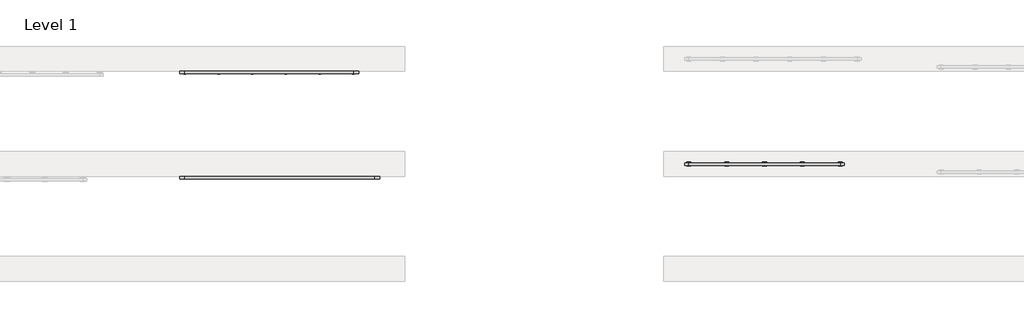
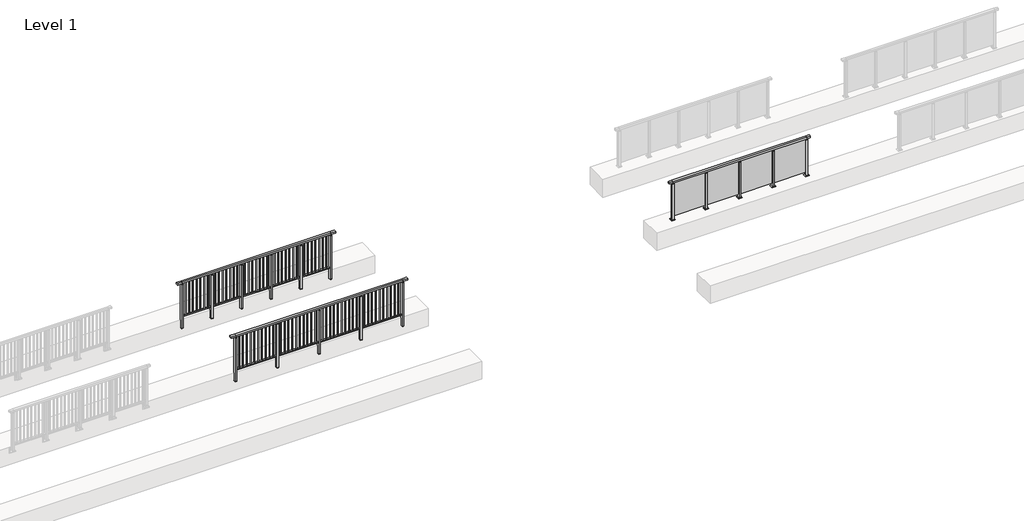
# One storey, part 17 of 37: 3 railings.
"""IFC4 building model written with IfcOpenShell, lengths in millimetres."""

from ifc_helpers import new_model, si_unit, frame, origin, origin_with_axes, place, context, project, spatial, polyline, outline, extrude, faceted_brep, element, save

model = new_model("IFC4")

# Units and contexts
model_context = context("Model", 3, world=origin())
ifc_project = project(units=[si_unit("LENGTHUNIT", "METRE", prefix="MILLI")], contexts=[model_context])

# Site, building, storey
site = spatial("IfcSite", under=ifc_project)
building = spatial("IfcBuilding", under=site)
storey = spatial("IfcBuildingStorey", under=building, Name="Level 1", Elevation=0.0)

# Railings
placement = place(None, origin())
element("IfcRailing", 1, at=placement, inside=storey, context=model_context, shape_type="SolidModel", body=[
    faceted_brep([(18027.0, 19897.6846828, 1055.0), (18027.0, 19897.6846828, 1100.0), (22527.0, 19897.6846828, 1100.0), (22527.0, 19897.6846828, 1055.0), (18027.0, 19837.6846828, 1055.0), (22527.0, 19837.6846828, 1055.0), (18027.0, 19837.6846828, 1100.0), (22527.0, 19837.6846828, 1100.0), (17899.5, 19897.6846828, 1100.0), (17899.5, 19897.6846828, 1055.0), (17899.5, 19837.6846828, 1055.0), (17899.5, 19837.6846828, 1100.0), (22654.5, 19897.6846828, 1100.0), (22654.5, 19837.6846828, 1100.0), (22654.5, 19837.6846828, 1055.0), (22654.5, 19897.6846828, 1055.0)], [[[0, 1, 2, 3]], [[4, 0, 3, 5]], [[6, 4, 5, 7]], [[1, 6, 7, 2]], [[8, 9, 10, 11]], [[9, 8, 1, 0]], [[10, 9, 0, 4]], [[11, 10, 4, 6]], [[8, 11, 6, 1]], [[12, 13, 14, 15]], [[3, 2, 12, 15]], [[5, 3, 15, 14]], [[7, 5, 14, 13]], [[2, 7, 13, 12]]]),
    extrude(outline(polyline([(18027.0, 19850.1846828), (18027.0, 19885.1846828), (22527.0, 19885.1846828), (22527.0, 19850.1846828), (18027.0, 19850.1846828)])), frame((0.0, 0.0, 95.0), z_axis=(0.0, 0.0, 1.0), x_axis=(1.0, 0.0, 0.0)), (0.0, 0.0, 1.0), 30.0),
    extrude(outline(polyline([(22433.2272727, 19859.1846828), (22416.2272727, 19859.1846828), (22416.2272727, 19876.1846828), (22433.2272727, 19876.1846828), (22433.2272727, 19859.1846828)])), frame((0.0, 0.0, 125.0), z_axis=(0.0, 0.0, 1.0), x_axis=(1.0, 0.0, 0.0)), (0.0, 0.0, 1.0), 930.0),
    extrude(outline(polyline([(22330.9545455, 19859.1846828), (22313.9545455, 19859.1846828), (22313.9545455, 19876.1846828), (22330.9545455, 19876.1846828), (22330.9545455, 19859.1846828)])), frame((0.0, 0.0, 125.0), z_axis=(0.0, 0.0, 1.0), x_axis=(1.0, 0.0, 0.0)), (0.0, 0.0, 1.0), 930.0),
    extrude(outline(polyline([(22228.6818182, 19859.1846828), (22211.6818182, 19859.1846828), (22211.6818182, 19876.1846828), (22228.6818182, 19876.1846828), (22228.6818182, 19859.1846828)])), frame((0.0, 0.0, 125.0), z_axis=(0.0, 0.0, 1.0), x_axis=(1.0, 0.0, 0.0)), (0.0, 0.0, 1.0), 930.0),
    extrude(outline(polyline([(22126.4090909, 19859.1846828), (22109.4090909, 19859.1846828), (22109.4090909, 19876.1846828), (22126.4090909, 19876.1846828), (22126.4090909, 19859.1846828)])), frame((0.0, 0.0, 125.0), z_axis=(0.0, 0.0, 1.0), x_axis=(1.0, 0.0, 0.0)), (0.0, 0.0, 1.0), 930.0),
    extrude(outline(polyline([(22024.1363636, 19859.1846828), (22007.1363636, 19859.1846828), (22007.1363636, 19876.1846828), (22024.1363636, 19876.1846828), (22024.1363636, 19859.1846828)])), frame((0.0, 0.0, 125.0), z_axis=(0.0, 0.0, 1.0), x_axis=(1.0, 0.0, 0.0)), (0.0, 0.0, 1.0), 930.0),
    extrude(outline(polyline([(21921.8636364, 19859.1846828), (21904.8636364, 19859.1846828), (21904.8636364, 19876.1846828), (21921.8636364, 19876.1846828), (21921.8636364, 19859.1846828)])), frame((0.0, 0.0, 125.0), z_axis=(0.0, 0.0, 1.0), x_axis=(1.0, 0.0, 0.0)), (0.0, 0.0, 1.0), 930.0),
    extrude(outline(polyline([(21819.5909091, 19859.1846828), (21802.5909091, 19859.1846828), (21802.5909091, 19876.1846828), (21819.5909091, 19876.1846828), (21819.5909091, 19859.1846828)])), frame((0.0, 0.0, 125.0), z_axis=(0.0, 0.0, 1.0), x_axis=(1.0, 0.0, 0.0)), (0.0, 0.0, 1.0), 930.0),
    extrude(outline(polyline([(21717.3181818, 19859.1846828), (21700.3181818, 19859.1846828), (21700.3181818, 19876.1846828), (21717.3181818, 19876.1846828), (21717.3181818, 19859.1846828)])), frame((0.0, 0.0, 125.0), z_axis=(0.0, 0.0, 1.0), x_axis=(1.0, 0.0, 0.0)), (0.0, 0.0, 1.0), 930.0),
    extrude(outline(polyline([(21615.0454545, 19859.1846828), (21598.0454545, 19859.1846828), (21598.0454545, 19876.1846828), (21615.0454545, 19876.1846828), (21615.0454545, 19859.1846828)])), frame((0.0, 0.0, 125.0), z_axis=(0.0, 0.0, 1.0), x_axis=(1.0, 0.0, 0.0)), (0.0, 0.0, 1.0), 930.0),
    extrude(outline(polyline([(21512.7727273, 19859.1846828), (21495.7727273, 19859.1846828), (21495.7727273, 19876.1846828), (21512.7727273, 19876.1846828), (21512.7727273, 19859.1846828)])), frame((0.0, 0.0, 125.0), z_axis=(0.0, 0.0, 1.0), x_axis=(1.0, 0.0, 0.0)), (0.0, 0.0, 1.0), 930.0),
    extrude(outline(polyline([(21424.5, 19900.1846828), (21424.5, 19835.1846828), (21379.5, 19835.1846828), (21379.5, 19900.1846828), (21424.5, 19900.1846828)])), frame((0.0, 0.0, 1027.0), z_axis=(0.0, 0.0, 1.0), x_axis=(1.0, 0.0, 0.0)), (0.0, 0.0, 1.0), 8.0),
    extrude(outline(polyline([(21424.5, 19900.1846828), (21424.5, 19835.1846828), (21379.5, 19835.1846828), (21379.5, 19900.1846828), (21424.5, 19900.1846828)])), frame((0.0, 0.0, -212.0), z_axis=(0.0, 0.0, 1.0), x_axis=(1.0, 0.0, 0.0)), (0.0, 0.0, 1.0), 1239.0),
    extrude(outline(polyline([(21412.0, 19877.6846828), (21412.0, 19857.6846828), (21392.0, 19857.6846828), (21392.0, 19877.6846828), (21412.0, 19877.6846828)])), frame((0.0, 0.0, 1035.0), z_axis=(0.0, 0.0, 1.0), x_axis=(1.0, 0.0, 0.0)), (0.0, 0.0, 1.0), 20.0),
    extrude(outline(polyline([(21424.5, 19900.1846828), (21424.5, 19835.1846828), (21379.5, 19835.1846828), (21379.5, 19900.1846828), (21424.5, 19900.1846828)])), frame((0.0, 0.0, -220.0), z_axis=(0.0, 0.0, 1.0), x_axis=(1.0, 0.0, 0.0)), (0.0, 0.0, 1.0), 8.0),
    extrude(outline(polyline([(21308.2272727, 19859.1846828), (21291.2272727, 19859.1846828), (21291.2272727, 19876.1846828), (21308.2272727, 19876.1846828), (21308.2272727, 19859.1846828)])), frame((0.0, 0.0, 125.0), z_axis=(0.0, 0.0, 1.0), x_axis=(1.0, 0.0, 0.0)), (0.0, 0.0, 1.0), 930.0),
    extrude(outline(polyline([(21205.9545455, 19859.1846828), (21188.9545455, 19859.1846828), (21188.9545455, 19876.1846828), (21205.9545455, 19876.1846828), (21205.9545455, 19859.1846828)])), frame((0.0, 0.0, 125.0), z_axis=(0.0, 0.0, 1.0), x_axis=(1.0, 0.0, 0.0)), (0.0, 0.0, 1.0), 930.0),
    extrude(outline(polyline([(21103.6818182, 19859.1846828), (21086.6818182, 19859.1846828), (21086.6818182, 19876.1846828), (21103.6818182, 19876.1846828), (21103.6818182, 19859.1846828)])), frame((0.0, 0.0, 125.0), z_axis=(0.0, 0.0, 1.0), x_axis=(1.0, 0.0, 0.0)), (0.0, 0.0, 1.0), 930.0),
    extrude(outline(polyline([(21001.4090909, 19859.1846828), (20984.4090909, 19859.1846828), (20984.4090909, 19876.1846828), (21001.4090909, 19876.1846828), (21001.4090909, 19859.1846828)])), frame((0.0, 0.0, 125.0), z_axis=(0.0, 0.0, 1.0), x_axis=(1.0, 0.0, 0.0)), (0.0, 0.0, 1.0), 930.0),
    extrude(outline(polyline([(20899.1363636, 19859.1846828), (20882.1363636, 19859.1846828), (20882.1363636, 19876.1846828), (20899.1363636, 19876.1846828), (20899.1363636, 19859.1846828)])), frame((0.0, 0.0, 125.0), z_axis=(0.0, 0.0, 1.0), x_axis=(1.0, 0.0, 0.0)), (0.0, 0.0, 1.0), 930.0),
    extrude(outline(polyline([(20796.8636364, 19859.1846828), (20779.8636364, 19859.1846828), (20779.8636364, 19876.1846828), (20796.8636364, 19876.1846828), (20796.8636364, 19859.1846828)])), frame((0.0, 0.0, 125.0), z_axis=(0.0, 0.0, 1.0), x_axis=(1.0, 0.0, 0.0)), (0.0, 0.0, 1.0), 930.0),
    extrude(outline(polyline([(20694.5909091, 19859.1846828), (20677.5909091, 19859.1846828), (20677.5909091, 19876.1846828), (20694.5909091, 19876.1846828), (20694.5909091, 19859.1846828)])), frame((0.0, 0.0, 125.0), z_axis=(0.0, 0.0, 1.0), x_axis=(1.0, 0.0, 0.0)), (0.0, 0.0, 1.0), 930.0),
    extrude(outline(polyline([(20592.3181818, 19859.1846828), (20575.3181818, 19859.1846828), (20575.3181818, 19876.1846828), (20592.3181818, 19876.1846828), (20592.3181818, 19859.1846828)])), frame((0.0, 0.0, 125.0), z_axis=(0.0, 0.0, 1.0), x_axis=(1.0, 0.0, 0.0)), (0.0, 0.0, 1.0), 930.0),
    extrude(outline(polyline([(20490.0454545, 19859.1846828), (20473.0454545, 19859.1846828), (20473.0454545, 19876.1846828), (20490.0454545, 19876.1846828), (20490.0454545, 19859.1846828)])), frame((0.0, 0.0, 125.0), z_axis=(0.0, 0.0, 1.0), x_axis=(1.0, 0.0, 0.0)), (0.0, 0.0, 1.0), 930.0),
    extrude(outline(polyline([(20387.7727273, 19859.1846828), (20370.7727273, 19859.1846828), (20370.7727273, 19876.1846828), (20387.7727273, 19876.1846828), (20387.7727273, 19859.1846828)])), frame((0.0, 0.0, 125.0), z_axis=(0.0, 0.0, 1.0), x_axis=(1.0, 0.0, 0.0)), (0.0, 0.0, 1.0), 930.0),
    extrude(outline(polyline([(20299.5, 19900.1846828), (20299.5, 19835.1846828), (20254.5, 19835.1846828), (20254.5, 19900.1846828), (20299.5, 19900.1846828)])), frame((0.0, 0.0, 1027.0), z_axis=(0.0, 0.0, 1.0), x_axis=(1.0, 0.0, 0.0)), (0.0, 0.0, 1.0), 8.0),
    extrude(outline(polyline([(20299.5, 19900.1846828), (20299.5, 19835.1846828), (20254.5, 19835.1846828), (20254.5, 19900.1846828), (20299.5, 19900.1846828)])), frame((0.0, 0.0, -212.0), z_axis=(0.0, 0.0, 1.0), x_axis=(1.0, 0.0, 0.0)), (0.0, 0.0, 1.0), 1239.0),
    extrude(outline(polyline([(20287.0, 19877.6846828), (20287.0, 19857.6846828), (20267.0, 19857.6846828), (20267.0, 19877.6846828), (20287.0, 19877.6846828)])), frame((0.0, 0.0, 1035.0), z_axis=(0.0, 0.0, 1.0), x_axis=(1.0, 0.0, 0.0)), (0.0, 0.0, 1.0), 20.0),
    extrude(outline(polyline([(20299.5, 19900.1846828), (20299.5, 19835.1846828), (20254.5, 19835.1846828), (20254.5, 19900.1846828), (20299.5, 19900.1846828)])), frame((0.0, 0.0, -220.0), z_axis=(0.0, 0.0, 1.0), x_axis=(1.0, 0.0, 0.0)), (0.0, 0.0, 1.0), 8.0),
    extrude(outline(polyline([(20183.2272727, 19859.1846828), (20166.2272727, 19859.1846828), (20166.2272727, 19876.1846828), (20183.2272727, 19876.1846828), (20183.2272727, 19859.1846828)])), frame((0.0, 0.0, 125.0), z_axis=(0.0, 0.0, 1.0), x_axis=(1.0, 0.0, 0.0)), (0.0, 0.0, 1.0), 930.0),
    extrude(outline(polyline([(20080.9545455, 19859.1846828), (20063.9545455, 19859.1846828), (20063.9545455, 19876.1846828), (20080.9545455, 19876.1846828), (20080.9545455, 19859.1846828)])), frame((0.0, 0.0, 125.0), z_axis=(0.0, 0.0, 1.0), x_axis=(1.0, 0.0, 0.0)), (0.0, 0.0, 1.0), 930.0),
    extrude(outline(polyline([(19978.6818182, 19859.1846828), (19961.6818182, 19859.1846828), (19961.6818182, 19876.1846828), (19978.6818182, 19876.1846828), (19978.6818182, 19859.1846828)])), frame((0.0, 0.0, 125.0), z_axis=(0.0, 0.0, 1.0), x_axis=(1.0, 0.0, 0.0)), (0.0, 0.0, 1.0), 930.0),
    extrude(outline(polyline([(19876.4090909, 19859.1846828), (19859.4090909, 19859.1846828), (19859.4090909, 19876.1846828), (19876.4090909, 19876.1846828), (19876.4090909, 19859.1846828)])), frame((0.0, 0.0, 125.0), z_axis=(0.0, 0.0, 1.0), x_axis=(1.0, 0.0, 0.0)), (0.0, 0.0, 1.0), 930.0),
    extrude(outline(polyline([(19774.1363636, 19859.1846828), (19757.1363636, 19859.1846828), (19757.1363636, 19876.1846828), (19774.1363636, 19876.1846828), (19774.1363636, 19859.1846828)])), frame((0.0, 0.0, 125.0), z_axis=(0.0, 0.0, 1.0), x_axis=(1.0, 0.0, 0.0)), (0.0, 0.0, 1.0), 930.0),
    extrude(outline(polyline([(19671.8636364, 19859.1846828), (19654.8636364, 19859.1846828), (19654.8636364, 19876.1846828), (19671.8636364, 19876.1846828), (19671.8636364, 19859.1846828)])), frame((0.0, 0.0, 125.0), z_axis=(0.0, 0.0, 1.0), x_axis=(1.0, 0.0, 0.0)), (0.0, 0.0, 1.0), 930.0),
    extrude(outline(polyline([(19569.5909091, 19859.1846828), (19552.5909091, 19859.1846828), (19552.5909091, 19876.1846828), (19569.5909091, 19876.1846828), (19569.5909091, 19859.1846828)])), frame((0.0, 0.0, 125.0), z_axis=(0.0, 0.0, 1.0), x_axis=(1.0, 0.0, 0.0)), (0.0, 0.0, 1.0), 930.0),
    extrude(outline(polyline([(19467.3181818, 19859.1846828), (19450.3181818, 19859.1846828), (19450.3181818, 19876.1846828), (19467.3181818, 19876.1846828), (19467.3181818, 19859.1846828)])), frame((0.0, 0.0, 125.0), z_axis=(0.0, 0.0, 1.0), x_axis=(1.0, 0.0, 0.0)), (0.0, 0.0, 1.0), 930.0),
    extrude(outline(polyline([(19365.0454545, 19859.1846828), (19348.0454545, 19859.1846828), (19348.0454545, 19876.1846828), (19365.0454545, 19876.1846828), (19365.0454545, 19859.1846828)])), frame((0.0, 0.0, 125.0), z_axis=(0.0, 0.0, 1.0), x_axis=(1.0, 0.0, 0.0)), (0.0, 0.0, 1.0), 930.0),
    extrude(outline(polyline([(19262.7727273, 19859.1846828), (19245.7727273, 19859.1846828), (19245.7727273, 19876.1846828), (19262.7727273, 19876.1846828), (19262.7727273, 19859.1846828)])), frame((0.0, 0.0, 125.0), z_axis=(0.0, 0.0, 1.0), x_axis=(1.0, 0.0, 0.0)), (0.0, 0.0, 1.0), 930.0),
    extrude(outline(polyline([(19174.5, 19900.1846828), (19174.5, 19835.1846828), (19129.5, 19835.1846828), (19129.5, 19900.1846828), (19174.5, 19900.1846828)])), frame((0.0, 0.0, 1027.0), z_axis=(0.0, 0.0, 1.0), x_axis=(1.0, 0.0, 0.0)), (0.0, 0.0, 1.0), 8.0),
    extrude(outline(polyline([(19174.5, 19900.1846828), (19174.5, 19835.1846828), (19129.5, 19835.1846828), (19129.5, 19900.1846828), (19174.5, 19900.1846828)])), frame((0.0, 0.0, -212.0), z_axis=(0.0, 0.0, 1.0), x_axis=(1.0, 0.0, 0.0)), (0.0, 0.0, 1.0), 1239.0),
    extrude(outline(polyline([(19162.0, 19877.6846828), (19162.0, 19857.6846828), (19142.0, 19857.6846828), (19142.0, 19877.6846828), (19162.0, 19877.6846828)])), frame((0.0, 0.0, 1035.0), z_axis=(0.0, 0.0, 1.0), x_axis=(1.0, 0.0, 0.0)), (0.0, 0.0, 1.0), 20.0),
    extrude(outline(polyline([(19174.5, 19900.1846828), (19174.5, 19835.1846828), (19129.5, 19835.1846828), (19129.5, 19900.1846828), (19174.5, 19900.1846828)])), frame((0.0, 0.0, -220.0), z_axis=(0.0, 0.0, 1.0), x_axis=(1.0, 0.0, 0.0)), (0.0, 0.0, 1.0), 8.0),
    extrude(outline(polyline([(19058.2272727, 19859.1846828), (19041.2272727, 19859.1846828), (19041.2272727, 19876.1846828), (19058.2272727, 19876.1846828), (19058.2272727, 19859.1846828)])), frame((0.0, 0.0, 125.0), z_axis=(0.0, 0.0, 1.0), x_axis=(1.0, 0.0, 0.0)), (0.0, 0.0, 1.0), 930.0),
    extrude(outline(polyline([(18955.9545455, 19859.1846828), (18938.9545455, 19859.1846828), (18938.9545455, 19876.1846828), (18955.9545455, 19876.1846828), (18955.9545455, 19859.1846828)])), frame((0.0, 0.0, 125.0), z_axis=(0.0, 0.0, 1.0), x_axis=(1.0, 0.0, 0.0)), (0.0, 0.0, 1.0), 930.0),
    extrude(outline(polyline([(18853.6818182, 19859.1846828), (18836.6818182, 19859.1846828), (18836.6818182, 19876.1846828), (18853.6818182, 19876.1846828), (18853.6818182, 19859.1846828)])), frame((0.0, 0.0, 125.0), z_axis=(0.0, 0.0, 1.0), x_axis=(1.0, 0.0, 0.0)), (0.0, 0.0, 1.0), 930.0),
    extrude(outline(polyline([(18751.4090909, 19859.1846828), (18734.4090909, 19859.1846828), (18734.4090909, 19876.1846828), (18751.4090909, 19876.1846828), (18751.4090909, 19859.1846828)])), frame((0.0, 0.0, 125.0), z_axis=(0.0, 0.0, 1.0), x_axis=(1.0, 0.0, 0.0)), (0.0, 0.0, 1.0), 930.0),
    extrude(outline(polyline([(18649.1363636, 19859.1846828), (18632.1363636, 19859.1846828), (18632.1363636, 19876.1846828), (18649.1363636, 19876.1846828), (18649.1363636, 19859.1846828)])), frame((0.0, 0.0, 125.0), z_axis=(0.0, 0.0, 1.0), x_axis=(1.0, 0.0, 0.0)), (0.0, 0.0, 1.0), 930.0),
    extrude(outline(polyline([(18546.8636364, 19859.1846828), (18529.8636364, 19859.1846828), (18529.8636364, 19876.1846828), (18546.8636364, 19876.1846828), (18546.8636364, 19859.1846828)])), frame((0.0, 0.0, 125.0), z_axis=(0.0, 0.0, 1.0), x_axis=(1.0, 0.0, 0.0)), (0.0, 0.0, 1.0), 930.0),
    extrude(outline(polyline([(18444.5909091, 19859.1846828), (18427.5909091, 19859.1846828), (18427.5909091, 19876.1846828), (18444.5909091, 19876.1846828), (18444.5909091, 19859.1846828)])), frame((0.0, 0.0, 125.0), z_axis=(0.0, 0.0, 1.0), x_axis=(1.0, 0.0, 0.0)), (0.0, 0.0, 1.0), 930.0),
    extrude(outline(polyline([(18342.3181818, 19859.1846828), (18325.3181818, 19859.1846828), (18325.3181818, 19876.1846828), (18342.3181818, 19876.1846828), (18342.3181818, 19859.1846828)])), frame((0.0, 0.0, 125.0), z_axis=(0.0, 0.0, 1.0), x_axis=(1.0, 0.0, 0.0)), (0.0, 0.0, 1.0), 930.0),
    extrude(outline(polyline([(18240.0454545, 19859.1846828), (18223.0454545, 19859.1846828), (18223.0454545, 19876.1846828), (18240.0454545, 19876.1846828), (18240.0454545, 19859.1846828)])), frame((0.0, 0.0, 125.0), z_axis=(0.0, 0.0, 1.0), x_axis=(1.0, 0.0, 0.0)), (0.0, 0.0, 1.0), 930.0),
    extrude(outline(polyline([(18137.7727273, 19859.1846828), (18120.7727273, 19859.1846828), (18120.7727273, 19876.1846828), (18137.7727273, 19876.1846828), (18137.7727273, 19859.1846828)])), frame((0.0, 0.0, 125.0), z_axis=(0.0, 0.0, 1.0), x_axis=(1.0, 0.0, 0.0)), (0.0, 0.0, 1.0), 930.0),
    extrude(outline(polyline([(22549.5, 19900.1846828), (22549.5, 19835.1846828), (22504.5, 19835.1846828), (22504.5, 19900.1846828), (22549.5, 19900.1846828)])), frame((0.0, 0.0, 1027.0), z_axis=(0.0, 0.0, 1.0), x_axis=(1.0, 0.0, 0.0)), (0.0, 0.0, 1.0), 8.0),
    extrude(outline(polyline([(22549.5, 19900.1846828), (22549.5, 19835.1846828), (22504.5, 19835.1846828), (22504.5, 19900.1846828), (22549.5, 19900.1846828)])), frame((0.0, 0.0, -212.0), z_axis=(0.0, 0.0, 1.0), x_axis=(1.0, 0.0, 0.0)), (0.0, 0.0, 1.0), 1239.0),
    extrude(outline(polyline([(22537.0, 19877.6846828), (22537.0, 19857.6846828), (22517.0, 19857.6846828), (22517.0, 19877.6846828), (22537.0, 19877.6846828)])), frame((0.0, 0.0, 1035.0), z_axis=(0.0, 0.0, 1.0), x_axis=(1.0, 0.0, 0.0)), (0.0, 0.0, 1.0), 20.0),
    extrude(outline(polyline([(22549.5, 19900.1846828), (22549.5, 19835.1846828), (22504.5, 19835.1846828), (22504.5, 19900.1846828), (22549.5, 19900.1846828)])), frame((0.0, 0.0, -220.0), z_axis=(0.0, 0.0, 1.0), x_axis=(1.0, 0.0, 0.0)), (0.0, 0.0, 1.0), 8.0),
    extrude(outline(polyline([(18049.5, 19900.1846828), (18049.5, 19835.1846828), (18004.5, 19835.1846828), (18004.5, 19900.1846828), (18049.5, 19900.1846828)])), frame((0.0, 0.0, 1027.0), z_axis=(0.0, 0.0, 1.0), x_axis=(1.0, 0.0, 0.0)), (0.0, 0.0, 1.0), 8.0),
    extrude(outline(polyline([(18049.5, 19900.1846828), (18049.5, 19835.1846828), (18004.5, 19835.1846828), (18004.5, 19900.1846828), (18049.5, 19900.1846828)])), frame((0.0, 0.0, -212.0), z_axis=(0.0, 0.0, 1.0), x_axis=(1.0, 0.0, 0.0)), (0.0, 0.0, 1.0), 1239.0),
    extrude(outline(polyline([(18037.0, 19877.6846828), (18037.0, 19857.6846828), (18017.0, 19857.6846828), (18017.0, 19877.6846828), (18037.0, 19877.6846828)])), frame((0.0, 0.0, 1035.0), z_axis=(0.0, 0.0, 1.0), x_axis=(1.0, 0.0, 0.0)), (0.0, 0.0, 1.0), 20.0),
    extrude(outline(polyline([(18049.5, 19900.1846828), (18049.5, 19835.1846828), (18004.5, 19835.1846828), (18004.5, 19900.1846828), (18049.5, 19900.1846828)])), frame((0.0, 0.0, -220.0), z_axis=(0.0, 0.0, 1.0), x_axis=(1.0, 0.0, 0.0)), (0.0, 0.0, 1.0), 8.0),
])
element("IfcRailing", 2, at=placement, inside=storey, context=model_context, shape_type="SolidModel", body=[
    faceted_brep([(18027.0, 22397.6846828, 1055.0), (18027.0, 22397.6846828, 1100.0), (22027.0, 22397.6846828, 1100.0), (22027.0, 22397.6846828, 1055.0), (18027.0, 22337.6846828, 1055.0), (22027.0, 22337.6846828, 1055.0), (18027.0, 22337.6846828, 1100.0), (22027.0, 22337.6846828, 1100.0), (17899.5, 22397.6846828, 1100.0), (17899.5, 22397.6846828, 1055.0), (17899.5, 22337.6846828, 1055.0), (17899.5, 22337.6846828, 1100.0), (22154.5, 22397.6846828, 1100.0), (22154.5, 22337.6846828, 1100.0), (22154.5, 22337.6846828, 1055.0), (22154.5, 22397.6846828, 1055.0)], [[[0, 1, 2, 3]], [[4, 0, 3, 5]], [[6, 4, 5, 7]], [[1, 6, 7, 2]], [[8, 9, 10, 11]], [[9, 8, 1, 0]], [[10, 9, 0, 4]], [[11, 10, 4, 6]], [[8, 11, 6, 1]], [[12, 13, 14, 15]], [[3, 2, 12, 15]], [[5, 3, 15, 14]], [[7, 5, 14, 13]], [[2, 7, 13, 12]]]),
    extrude(outline(polyline([(18027.0, 22350.1846828), (18027.0, 22385.1846828), (22027.0, 22385.1846828), (22027.0, 22350.1846828), (18027.0, 22350.1846828)])), frame((0.0, 0.0, 95.0), z_axis=(0.0, 0.0, 1.0), x_axis=(1.0, 0.0, 0.0)), (0.0, 0.0, 1.0), 30.0),
    extrude(outline(polyline([(21935.5, 22359.1846828), (21918.5, 22359.1846828), (21918.5, 22376.1846828), (21935.5, 22376.1846828), (21935.5, 22359.1846828)])), frame((0.0, 0.0, 125.0), z_axis=(0.0, 0.0, 1.0), x_axis=(1.0, 0.0, 0.0)), (0.0, 0.0, 1.0), 930.0),
    extrude(outline(polyline([(21835.5, 22359.1846828), (21818.5, 22359.1846828), (21818.5, 22376.1846828), (21835.5, 22376.1846828), (21835.5, 22359.1846828)])), frame((0.0, 0.0, 125.0), z_axis=(0.0, 0.0, 1.0), x_axis=(1.0, 0.0, 0.0)), (0.0, 0.0, 1.0), 930.0),
    extrude(outline(polyline([(21735.5, 22359.1846828), (21718.5, 22359.1846828), (21718.5, 22376.1846828), (21735.5, 22376.1846828), (21735.5, 22359.1846828)])), frame((0.0, 0.0, 125.0), z_axis=(0.0, 0.0, 1.0), x_axis=(1.0, 0.0, 0.0)), (0.0, 0.0, 1.0), 930.0),
    extrude(outline(polyline([(21635.5, 22359.1846828), (21618.5, 22359.1846828), (21618.5, 22376.1846828), (21635.5, 22376.1846828), (21635.5, 22359.1846828)])), frame((0.0, 0.0, 125.0), z_axis=(0.0, 0.0, 1.0), x_axis=(1.0, 0.0, 0.0)), (0.0, 0.0, 1.0), 930.0),
    extrude(outline(polyline([(21535.5, 22359.1846828), (21518.5, 22359.1846828), (21518.5, 22376.1846828), (21535.5, 22376.1846828), (21535.5, 22359.1846828)])), frame((0.0, 0.0, 125.0), z_axis=(0.0, 0.0, 1.0), x_axis=(1.0, 0.0, 0.0)), (0.0, 0.0, 1.0), 930.0),
    extrude(outline(polyline([(21435.5, 22359.1846828), (21418.5, 22359.1846828), (21418.5, 22376.1846828), (21435.5, 22376.1846828), (21435.5, 22359.1846828)])), frame((0.0, 0.0, 125.0), z_axis=(0.0, 0.0, 1.0), x_axis=(1.0, 0.0, 0.0)), (0.0, 0.0, 1.0), 930.0),
    extrude(outline(polyline([(21335.5, 22359.1846828), (21318.5, 22359.1846828), (21318.5, 22376.1846828), (21335.5, 22376.1846828), (21335.5, 22359.1846828)])), frame((0.0, 0.0, 125.0), z_axis=(0.0, 0.0, 1.0), x_axis=(1.0, 0.0, 0.0)), (0.0, 0.0, 1.0), 930.0),
    extrude(outline(polyline([(21249.5, 22400.1846828), (21249.5, 22335.1846828), (21204.5, 22335.1846828), (21204.5, 22400.1846828), (21249.5, 22400.1846828)])), frame((0.0, 0.0, 1027.0), z_axis=(0.0, 0.0, 1.0), x_axis=(1.0, 0.0, 0.0)), (0.0, 0.0, 1.0), 8.0),
    extrude(outline(polyline([(21249.5, 22400.1846828), (21249.5, 22335.1846828), (21204.5, 22335.1846828), (21204.5, 22400.1846828), (21249.5, 22400.1846828)])), frame((0.0, 0.0, -212.0), z_axis=(0.0, 0.0, 1.0), x_axis=(1.0, 0.0, 0.0)), (0.0, 0.0, 1.0), 1239.0),
    extrude(outline(polyline([(21237.0, 22377.6846828), (21237.0, 22357.6846828), (21217.0, 22357.6846828), (21217.0, 22377.6846828), (21237.0, 22377.6846828)])), frame((0.0, 0.0, 1035.0), z_axis=(0.0, 0.0, 1.0), x_axis=(1.0, 0.0, 0.0)), (0.0, 0.0, 1.0), 20.0),
    extrude(outline(polyline([(21249.5, 22400.1846828), (21249.5, 22335.1846828), (21204.5, 22335.1846828), (21204.5, 22400.1846828), (21249.5, 22400.1846828)])), frame((0.0, 0.0, -220.0), z_axis=(0.0, 0.0, 1.0), x_axis=(1.0, 0.0, 0.0)), (0.0, 0.0, 1.0), 8.0),
    extrude(outline(polyline([(21135.5, 22359.1846828), (21118.5, 22359.1846828), (21118.5, 22376.1846828), (21135.5, 22376.1846828), (21135.5, 22359.1846828)])), frame((0.0, 0.0, 125.0), z_axis=(0.0, 0.0, 1.0), x_axis=(1.0, 0.0, 0.0)), (0.0, 0.0, 1.0), 930.0),
    extrude(outline(polyline([(21035.5, 22359.1846828), (21018.5, 22359.1846828), (21018.5, 22376.1846828), (21035.5, 22376.1846828), (21035.5, 22359.1846828)])), frame((0.0, 0.0, 125.0), z_axis=(0.0, 0.0, 1.0), x_axis=(1.0, 0.0, 0.0)), (0.0, 0.0, 1.0), 930.0),
    extrude(outline(polyline([(20935.5, 22359.1846828), (20918.5, 22359.1846828), (20918.5, 22376.1846828), (20935.5, 22376.1846828), (20935.5, 22359.1846828)])), frame((0.0, 0.0, 125.0), z_axis=(0.0, 0.0, 1.0), x_axis=(1.0, 0.0, 0.0)), (0.0, 0.0, 1.0), 930.0),
    extrude(outline(polyline([(20835.5, 22359.1846828), (20818.5, 22359.1846828), (20818.5, 22376.1846828), (20835.5, 22376.1846828), (20835.5, 22359.1846828)])), frame((0.0, 0.0, 125.0), z_axis=(0.0, 0.0, 1.0), x_axis=(1.0, 0.0, 0.0)), (0.0, 0.0, 1.0), 930.0),
    extrude(outline(polyline([(20735.5, 22359.1846828), (20718.5, 22359.1846828), (20718.5, 22376.1846828), (20735.5, 22376.1846828), (20735.5, 22359.1846828)])), frame((0.0, 0.0, 125.0), z_axis=(0.0, 0.0, 1.0), x_axis=(1.0, 0.0, 0.0)), (0.0, 0.0, 1.0), 930.0),
    extrude(outline(polyline([(20635.5, 22359.1846828), (20618.5, 22359.1846828), (20618.5, 22376.1846828), (20635.5, 22376.1846828), (20635.5, 22359.1846828)])), frame((0.0, 0.0, 125.0), z_axis=(0.0, 0.0, 1.0), x_axis=(1.0, 0.0, 0.0)), (0.0, 0.0, 1.0), 930.0),
    extrude(outline(polyline([(20535.5, 22359.1846828), (20518.5, 22359.1846828), (20518.5, 22376.1846828), (20535.5, 22376.1846828), (20535.5, 22359.1846828)])), frame((0.0, 0.0, 125.0), z_axis=(0.0, 0.0, 1.0), x_axis=(1.0, 0.0, 0.0)), (0.0, 0.0, 1.0), 930.0),
    extrude(outline(polyline([(20449.5, 22400.1846828), (20449.5, 22335.1846828), (20404.5, 22335.1846828), (20404.5, 22400.1846828), (20449.5, 22400.1846828)])), frame((0.0, 0.0, 1027.0), z_axis=(0.0, 0.0, 1.0), x_axis=(1.0, 0.0, 0.0)), (0.0, 0.0, 1.0), 8.0),
    extrude(outline(polyline([(20449.5, 22400.1846828), (20449.5, 22335.1846828), (20404.5, 22335.1846828), (20404.5, 22400.1846828), (20449.5, 22400.1846828)])), frame((0.0, 0.0, -212.0), z_axis=(0.0, 0.0, 1.0), x_axis=(1.0, 0.0, 0.0)), (0.0, 0.0, 1.0), 1239.0),
    extrude(outline(polyline([(20437.0, 22377.6846828), (20437.0, 22357.6846828), (20417.0, 22357.6846828), (20417.0, 22377.6846828), (20437.0, 22377.6846828)])), frame((0.0, 0.0, 1035.0), z_axis=(0.0, 0.0, 1.0), x_axis=(1.0, 0.0, 0.0)), (0.0, 0.0, 1.0), 20.0),
    extrude(outline(polyline([(20449.5, 22400.1846828), (20449.5, 22335.1846828), (20404.5, 22335.1846828), (20404.5, 22400.1846828), (20449.5, 22400.1846828)])), frame((0.0, 0.0, -220.0), z_axis=(0.0, 0.0, 1.0), x_axis=(1.0, 0.0, 0.0)), (0.0, 0.0, 1.0), 8.0),
    extrude(outline(polyline([(20335.5, 22359.1846828), (20318.5, 22359.1846828), (20318.5, 22376.1846828), (20335.5, 22376.1846828), (20335.5, 22359.1846828)])), frame((0.0, 0.0, 125.0), z_axis=(0.0, 0.0, 1.0), x_axis=(1.0, 0.0, 0.0)), (0.0, 0.0, 1.0), 930.0),
    extrude(outline(polyline([(20235.5, 22359.1846828), (20218.5, 22359.1846828), (20218.5, 22376.1846828), (20235.5, 22376.1846828), (20235.5, 22359.1846828)])), frame((0.0, 0.0, 125.0), z_axis=(0.0, 0.0, 1.0), x_axis=(1.0, 0.0, 0.0)), (0.0, 0.0, 1.0), 930.0),
    extrude(outline(polyline([(20135.5, 22359.1846828), (20118.5, 22359.1846828), (20118.5, 22376.1846828), (20135.5, 22376.1846828), (20135.5, 22359.1846828)])), frame((0.0, 0.0, 125.0), z_axis=(0.0, 0.0, 1.0), x_axis=(1.0, 0.0, 0.0)), (0.0, 0.0, 1.0), 930.0),
    extrude(outline(polyline([(20035.5, 22359.1846828), (20018.5, 22359.1846828), (20018.5, 22376.1846828), (20035.5, 22376.1846828), (20035.5, 22359.1846828)])), frame((0.0, 0.0, 125.0), z_axis=(0.0, 0.0, 1.0), x_axis=(1.0, 0.0, 0.0)), (0.0, 0.0, 1.0), 930.0),
    extrude(outline(polyline([(19935.5, 22359.1846828), (19918.5, 22359.1846828), (19918.5, 22376.1846828), (19935.5, 22376.1846828), (19935.5, 22359.1846828)])), frame((0.0, 0.0, 125.0), z_axis=(0.0, 0.0, 1.0), x_axis=(1.0, 0.0, 0.0)), (0.0, 0.0, 1.0), 930.0),
    extrude(outline(polyline([(19835.5, 22359.1846828), (19818.5, 22359.1846828), (19818.5, 22376.1846828), (19835.5, 22376.1846828), (19835.5, 22359.1846828)])), frame((0.0, 0.0, 125.0), z_axis=(0.0, 0.0, 1.0), x_axis=(1.0, 0.0, 0.0)), (0.0, 0.0, 1.0), 930.0),
    extrude(outline(polyline([(19735.5, 22359.1846828), (19718.5, 22359.1846828), (19718.5, 22376.1846828), (19735.5, 22376.1846828), (19735.5, 22359.1846828)])), frame((0.0, 0.0, 125.0), z_axis=(0.0, 0.0, 1.0), x_axis=(1.0, 0.0, 0.0)), (0.0, 0.0, 1.0), 930.0),
    extrude(outline(polyline([(19649.5, 22400.1846828), (19649.5, 22335.1846828), (19604.5, 22335.1846828), (19604.5, 22400.1846828), (19649.5, 22400.1846828)])), frame((0.0, 0.0, 1027.0), z_axis=(0.0, 0.0, 1.0), x_axis=(1.0, 0.0, 0.0)), (0.0, 0.0, 1.0), 8.0),
    extrude(outline(polyline([(19649.5, 22400.1846828), (19649.5, 22335.1846828), (19604.5, 22335.1846828), (19604.5, 22400.1846828), (19649.5, 22400.1846828)])), frame((0.0, 0.0, -212.0), z_axis=(0.0, 0.0, 1.0), x_axis=(1.0, 0.0, 0.0)), (0.0, 0.0, 1.0), 1239.0),
    extrude(outline(polyline([(19637.0, 22377.6846828), (19637.0, 22357.6846828), (19617.0, 22357.6846828), (19617.0, 22377.6846828), (19637.0, 22377.6846828)])), frame((0.0, 0.0, 1035.0), z_axis=(0.0, 0.0, 1.0), x_axis=(1.0, 0.0, 0.0)), (0.0, 0.0, 1.0), 20.0),
    extrude(outline(polyline([(19649.5, 22400.1846828), (19649.5, 22335.1846828), (19604.5, 22335.1846828), (19604.5, 22400.1846828), (19649.5, 22400.1846828)])), frame((0.0, 0.0, -220.0), z_axis=(0.0, 0.0, 1.0), x_axis=(1.0, 0.0, 0.0)), (0.0, 0.0, 1.0), 8.0),
    extrude(outline(polyline([(19535.5, 22359.1846828), (19518.5, 22359.1846828), (19518.5, 22376.1846828), (19535.5, 22376.1846828), (19535.5, 22359.1846828)])), frame((0.0, 0.0, 125.0), z_axis=(0.0, 0.0, 1.0), x_axis=(1.0, 0.0, 0.0)), (0.0, 0.0, 1.0), 930.0),
    extrude(outline(polyline([(19435.5, 22359.1846828), (19418.5, 22359.1846828), (19418.5, 22376.1846828), (19435.5, 22376.1846828), (19435.5, 22359.1846828)])), frame((0.0, 0.0, 125.0), z_axis=(0.0, 0.0, 1.0), x_axis=(1.0, 0.0, 0.0)), (0.0, 0.0, 1.0), 930.0),
    extrude(outline(polyline([(19335.5, 22359.1846828), (19318.5, 22359.1846828), (19318.5, 22376.1846828), (19335.5, 22376.1846828), (19335.5, 22359.1846828)])), frame((0.0, 0.0, 125.0), z_axis=(0.0, 0.0, 1.0), x_axis=(1.0, 0.0, 0.0)), (0.0, 0.0, 1.0), 930.0),
    extrude(outline(polyline([(19235.5, 22359.1846828), (19218.5, 22359.1846828), (19218.5, 22376.1846828), (19235.5, 22376.1846828), (19235.5, 22359.1846828)])), frame((0.0, 0.0, 125.0), z_axis=(0.0, 0.0, 1.0), x_axis=(1.0, 0.0, 0.0)), (0.0, 0.0, 1.0), 930.0),
    extrude(outline(polyline([(19135.5, 22359.1846828), (19118.5, 22359.1846828), (19118.5, 22376.1846828), (19135.5, 22376.1846828), (19135.5, 22359.1846828)])), frame((0.0, 0.0, 125.0), z_axis=(0.0, 0.0, 1.0), x_axis=(1.0, 0.0, 0.0)), (0.0, 0.0, 1.0), 930.0),
    extrude(outline(polyline([(19035.5, 22359.1846828), (19018.5, 22359.1846828), (19018.5, 22376.1846828), (19035.5, 22376.1846828), (19035.5, 22359.1846828)])), frame((0.0, 0.0, 125.0), z_axis=(0.0, 0.0, 1.0), x_axis=(1.0, 0.0, 0.0)), (0.0, 0.0, 1.0), 930.0),
    extrude(outline(polyline([(18935.5, 22359.1846828), (18918.5, 22359.1846828), (18918.5, 22376.1846828), (18935.5, 22376.1846828), (18935.5, 22359.1846828)])), frame((0.0, 0.0, 125.0), z_axis=(0.0, 0.0, 1.0), x_axis=(1.0, 0.0, 0.0)), (0.0, 0.0, 1.0), 930.0),
    extrude(outline(polyline([(18849.5, 22400.1846828), (18849.5, 22335.1846828), (18804.5, 22335.1846828), (18804.5, 22400.1846828), (18849.5, 22400.1846828)])), frame((0.0, 0.0, 1027.0), z_axis=(0.0, 0.0, 1.0), x_axis=(1.0, 0.0, 0.0)), (0.0, 0.0, 1.0), 8.0),
    extrude(outline(polyline([(18849.5, 22400.1846828), (18849.5, 22335.1846828), (18804.5, 22335.1846828), (18804.5, 22400.1846828), (18849.5, 22400.1846828)])), frame((0.0, 0.0, -212.0), z_axis=(0.0, 0.0, 1.0), x_axis=(1.0, 0.0, 0.0)), (0.0, 0.0, 1.0), 1239.0),
    extrude(outline(polyline([(18837.0, 22377.6846828), (18837.0, 22357.6846828), (18817.0, 22357.6846828), (18817.0, 22377.6846828), (18837.0, 22377.6846828)])), frame((0.0, 0.0, 1035.0), z_axis=(0.0, 0.0, 1.0), x_axis=(1.0, 0.0, 0.0)), (0.0, 0.0, 1.0), 20.0),
    extrude(outline(polyline([(18849.5, 22400.1846828), (18849.5, 22335.1846828), (18804.5, 22335.1846828), (18804.5, 22400.1846828), (18849.5, 22400.1846828)])), frame((0.0, 0.0, -220.0), z_axis=(0.0, 0.0, 1.0), x_axis=(1.0, 0.0, 0.0)), (0.0, 0.0, 1.0), 8.0),
    extrude(outline(polyline([(18735.5, 22359.1846828), (18718.5, 22359.1846828), (18718.5, 22376.1846828), (18735.5, 22376.1846828), (18735.5, 22359.1846828)])), frame((0.0, 0.0, 125.0), z_axis=(0.0, 0.0, 1.0), x_axis=(1.0, 0.0, 0.0)), (0.0, 0.0, 1.0), 930.0),
    extrude(outline(polyline([(18635.5, 22359.1846828), (18618.5, 22359.1846828), (18618.5, 22376.1846828), (18635.5, 22376.1846828), (18635.5, 22359.1846828)])), frame((0.0, 0.0, 125.0), z_axis=(0.0, 0.0, 1.0), x_axis=(1.0, 0.0, 0.0)), (0.0, 0.0, 1.0), 930.0),
    extrude(outline(polyline([(18535.5, 22359.1846828), (18518.5, 22359.1846828), (18518.5, 22376.1846828), (18535.5, 22376.1846828), (18535.5, 22359.1846828)])), frame((0.0, 0.0, 125.0), z_axis=(0.0, 0.0, 1.0), x_axis=(1.0, 0.0, 0.0)), (0.0, 0.0, 1.0), 930.0),
    extrude(outline(polyline([(18435.5, 22359.1846828), (18418.5, 22359.1846828), (18418.5, 22376.1846828), (18435.5, 22376.1846828), (18435.5, 22359.1846828)])), frame((0.0, 0.0, 125.0), z_axis=(0.0, 0.0, 1.0), x_axis=(1.0, 0.0, 0.0)), (0.0, 0.0, 1.0), 930.0),
    extrude(outline(polyline([(18335.5, 22359.1846828), (18318.5, 22359.1846828), (18318.5, 22376.1846828), (18335.5, 22376.1846828), (18335.5, 22359.1846828)])), frame((0.0, 0.0, 125.0), z_axis=(0.0, 0.0, 1.0), x_axis=(1.0, 0.0, 0.0)), (0.0, 0.0, 1.0), 930.0),
    extrude(outline(polyline([(18235.5, 22359.1846828), (18218.5, 22359.1846828), (18218.5, 22376.1846828), (18235.5, 22376.1846828), (18235.5, 22359.1846828)])), frame((0.0, 0.0, 125.0), z_axis=(0.0, 0.0, 1.0), x_axis=(1.0, 0.0, 0.0)), (0.0, 0.0, 1.0), 930.0),
    extrude(outline(polyline([(18135.5, 22359.1846828), (18118.5, 22359.1846828), (18118.5, 22376.1846828), (18135.5, 22376.1846828), (18135.5, 22359.1846828)])), frame((0.0, 0.0, 125.0), z_axis=(0.0, 0.0, 1.0), x_axis=(1.0, 0.0, 0.0)), (0.0, 0.0, 1.0), 930.0),
    extrude(outline(polyline([(22049.5, 22400.1846828), (22049.5, 22335.1846828), (22004.5, 22335.1846828), (22004.5, 22400.1846828), (22049.5, 22400.1846828)])), frame((0.0, 0.0, 1027.0), z_axis=(0.0, 0.0, 1.0), x_axis=(1.0, 0.0, 0.0)), (0.0, 0.0, 1.0), 8.0),
    extrude(outline(polyline([(22049.5, 22400.1846828), (22049.5, 22335.1846828), (22004.5, 22335.1846828), (22004.5, 22400.1846828), (22049.5, 22400.1846828)])), frame((0.0, 0.0, -212.0), z_axis=(0.0, 0.0, 1.0), x_axis=(1.0, 0.0, 0.0)), (0.0, 0.0, 1.0), 1239.0),
    extrude(outline(polyline([(22037.0, 22377.6846828), (22037.0, 22357.6846828), (22017.0, 22357.6846828), (22017.0, 22377.6846828), (22037.0, 22377.6846828)])), frame((0.0, 0.0, 1035.0), z_axis=(0.0, 0.0, 1.0), x_axis=(1.0, 0.0, 0.0)), (0.0, 0.0, 1.0), 20.0),
    extrude(outline(polyline([(22049.5, 22400.1846828), (22049.5, 22335.1846828), (22004.5, 22335.1846828), (22004.5, 22400.1846828), (22049.5, 22400.1846828)])), frame((0.0, 0.0, -220.0), z_axis=(0.0, 0.0, 1.0), x_axis=(1.0, 0.0, 0.0)), (0.0, 0.0, 1.0), 8.0),
    extrude(outline(polyline([(18049.5, 22400.1846828), (18049.5, 22335.1846828), (18004.5, 22335.1846828), (18004.5, 22400.1846828), (18049.5, 22400.1846828)])), frame((0.0, 0.0, 1027.0), z_axis=(0.0, 0.0, 1.0), x_axis=(1.0, 0.0, 0.0)), (0.0, 0.0, 1.0), 8.0),
    extrude(outline(polyline([(18049.5, 22400.1846828), (18049.5, 22335.1846828), (18004.5, 22335.1846828), (18004.5, 22400.1846828), (18049.5, 22400.1846828)])), frame((0.0, 0.0, -212.0), z_axis=(0.0, 0.0, 1.0), x_axis=(1.0, 0.0, 0.0)), (0.0, 0.0, 1.0), 1239.0),
    extrude(outline(polyline([(18037.0, 22377.6846828), (18037.0, 22357.6846828), (18017.0, 22357.6846828), (18017.0, 22377.6846828), (18037.0, 22377.6846828)])), frame((0.0, 0.0, 1035.0), z_axis=(0.0, 0.0, 1.0), x_axis=(1.0, 0.0, 0.0)), (0.0, 0.0, 1.0), 20.0),
    extrude(outline(polyline([(18049.5, 22400.1846828), (18049.5, 22335.1846828), (18004.5, 22335.1846828), (18004.5, 22400.1846828), (18049.5, 22400.1846828)])), frame((0.0, 0.0, -220.0), z_axis=(0.0, 0.0, 1.0), x_axis=(1.0, 0.0, 0.0)), (0.0, 0.0, 1.0), 8.0),
])
element("IfcRailing", 3, at=placement, inside=storey, context=model_context, shape_type="SolidModel", body=[
    faceted_brep([(30000.0, 20220.1846828, 1055.0), (30000.0, 20220.1846828, 1100.0), (33600.0, 20220.1846828, 1100.0), (33600.0, 20220.1846828, 1055.0), (30000.0, 20160.1846828, 1055.0), (33600.0, 20160.1846828, 1055.0), (30000.0, 20160.1846828, 1100.0), (33600.0, 20160.1846828, 1100.0), (29900.0, 20220.1846828, 1100.0), (29900.0, 20220.1846828, 1055.0), (29900.0, 20160.1846828, 1055.0), (29900.0, 20160.1846828, 1100.0), (33700.0, 20220.1846828, 1100.0), (33700.0, 20160.1846828, 1100.0), (33700.0, 20160.1846828, 1055.0), (33700.0, 20220.1846828, 1055.0)], [[[0, 1, 2, 3]], [[4, 0, 3, 5]], [[6, 4, 5, 7]], [[1, 6, 7, 2]], [[8, 9, 10, 11]], [[9, 8, 1, 0]], [[10, 9, 0, 4]], [[11, 10, 4, 6]], [[8, 11, 6, 1]], [[12, 13, 14, 15]], [[3, 2, 12, 15]], [[5, 3, 15, 14]], [[7, 5, 14, 13]], [[2, 7, 13, 12]]]),
    extrude(outline(polyline([(32710.0, 20195.9598727), (33590.0, 20195.9598727), (33590.0, 20185.9598727), (32710.0, 20185.9598727), (32710.0, 20195.9598727)])), frame((0.0, 0.0, 95.0), z_axis=(0.0, 0.0, 1.0), x_axis=(1.0, 0.0, 0.0)), (0.0, 0.0, 1.0), 960.0),
    extrude(outline(polyline([(32710.0, 20180.1846828), (32690.0, 20180.1846828), (32690.0, 20200.1846828), (32710.0, 20200.1846828), (32710.0, 20180.1846828)])), frame((0.0, 0.0, 1035.0), z_axis=(0.0, 0.0, 1.0), x_axis=(1.0, 0.0, 0.0)), (0.0, 0.0, 1.0), 20.0),
    extrude(outline(polyline([(32722.5, 20157.6846828), (32677.5, 20157.6846828), (32677.5, 20222.6846828), (32722.5, 20222.6846828), (32722.5, 20157.6846828)])), frame((0.0, 0.0, 1027.0), z_axis=(0.0, 0.0, 1.0), x_axis=(1.0, 0.0, 0.0)), (0.0, 0.0, 1.0), 8.0),
    extrude(outline(polyline([(32750.0, 20140.1846828), (32650.0, 20140.1846828), (32650.0, 20240.1846828), (32750.0, 20240.1846828), (32750.0, 20140.1846828)])), origin_with_axes(), (0.0, 0.0, 1.0), 12.0),
    extrude(outline(polyline([(32722.5, 20157.6846828), (32677.5, 20157.6846828), (32677.5, 20222.6846828), (32722.5, 20222.6846828), (32722.5, 20157.6846828)])), frame((0.0, 0.0, 12.0), z_axis=(0.0, 0.0, 1.0), x_axis=(1.0, 0.0, 0.0)), (0.0, 0.0, 1.0), 1015.0),
    extrude(outline(polyline([(31810.0, 20195.9598727), (32690.0, 20195.9598727), (32690.0, 20185.9598727), (31810.0, 20185.9598727), (31810.0, 20195.9598727)])), frame((0.0, 0.0, 95.0), z_axis=(0.0, 0.0, 1.0), x_axis=(1.0, 0.0, 0.0)), (0.0, 0.0, 1.0), 960.0),
    extrude(outline(polyline([(31810.0, 20180.1846828), (31790.0, 20180.1846828), (31790.0, 20200.1846828), (31810.0, 20200.1846828), (31810.0, 20180.1846828)])), frame((0.0, 0.0, 1035.0), z_axis=(0.0, 0.0, 1.0), x_axis=(1.0, 0.0, 0.0)), (0.0, 0.0, 1.0), 20.0),
    extrude(outline(polyline([(31822.5, 20157.6846828), (31777.5, 20157.6846828), (31777.5, 20222.6846828), (31822.5, 20222.6846828), (31822.5, 20157.6846828)])), frame((0.0, 0.0, 1027.0), z_axis=(0.0, 0.0, 1.0), x_axis=(1.0, 0.0, 0.0)), (0.0, 0.0, 1.0), 8.0),
    extrude(outline(polyline([(31850.0, 20140.1846828), (31750.0, 20140.1846828), (31750.0, 20240.1846828), (31850.0, 20240.1846828), (31850.0, 20140.1846828)])), origin_with_axes(), (0.0, 0.0, 1.0), 12.0),
    extrude(outline(polyline([(31822.5, 20157.6846828), (31777.5, 20157.6846828), (31777.5, 20222.6846828), (31822.5, 20222.6846828), (31822.5, 20157.6846828)])), frame((0.0, 0.0, 12.0), z_axis=(0.0, 0.0, 1.0), x_axis=(1.0, 0.0, 0.0)), (0.0, 0.0, 1.0), 1015.0),
    extrude(outline(polyline([(30910.0, 20195.9598727), (31790.0, 20195.9598727), (31790.0, 20185.9598727), (30910.0, 20185.9598727), (30910.0, 20195.9598727)])), frame((0.0, 0.0, 95.0), z_axis=(0.0, 0.0, 1.0), x_axis=(1.0, 0.0, 0.0)), (0.0, 0.0, 1.0), 960.0),
    extrude(outline(polyline([(30910.0, 20180.1846828), (30890.0, 20180.1846828), (30890.0, 20200.1846828), (30910.0, 20200.1846828), (30910.0, 20180.1846828)])), frame((0.0, 0.0, 1035.0), z_axis=(0.0, 0.0, 1.0), x_axis=(1.0, 0.0, 0.0)), (0.0, 0.0, 1.0), 20.0),
    extrude(outline(polyline([(30922.5, 20157.6846828), (30877.5, 20157.6846828), (30877.5, 20222.6846828), (30922.5, 20222.6846828), (30922.5, 20157.6846828)])), frame((0.0, 0.0, 1027.0), z_axis=(0.0, 0.0, 1.0), x_axis=(1.0, 0.0, 0.0)), (0.0, 0.0, 1.0), 8.0),
    extrude(outline(polyline([(30950.0, 20140.1846828), (30850.0, 20140.1846828), (30850.0, 20240.1846828), (30950.0, 20240.1846828), (30950.0, 20140.1846828)])), origin_with_axes(), (0.0, 0.0, 1.0), 12.0),
    extrude(outline(polyline([(30922.5, 20157.6846828), (30877.5, 20157.6846828), (30877.5, 20222.6846828), (30922.5, 20222.6846828), (30922.5, 20157.6846828)])), frame((0.0, 0.0, 12.0), z_axis=(0.0, 0.0, 1.0), x_axis=(1.0, 0.0, 0.0)), (0.0, 0.0, 1.0), 1015.0),
    extrude(outline(polyline([(30010.0, 20195.9598727), (30890.0, 20195.9598727), (30890.0, 20185.9598727), (30010.0, 20185.9598727), (30010.0, 20195.9598727)])), frame((0.0, 0.0, 95.0), z_axis=(0.0, 0.0, 1.0), x_axis=(1.0, 0.0, 0.0)), (0.0, 0.0, 1.0), 960.0),
    extrude(outline(polyline([(33610.0, 20180.1846828), (33590.0, 20180.1846828), (33590.0, 20200.1846828), (33610.0, 20200.1846828), (33610.0, 20180.1846828)])), frame((0.0, 0.0, 1035.0), z_axis=(0.0, 0.0, 1.0), x_axis=(1.0, 0.0, 0.0)), (0.0, 0.0, 1.0), 20.0),
    extrude(outline(polyline([(33622.5, 20157.6846828), (33577.5, 20157.6846828), (33577.5, 20222.6846828), (33622.5, 20222.6846828), (33622.5, 20157.6846828)])), frame((0.0, 0.0, 1027.0), z_axis=(0.0, 0.0, 1.0), x_axis=(1.0, 0.0, 0.0)), (0.0, 0.0, 1.0), 8.0),
    extrude(outline(polyline([(33650.0, 20140.1846828), (33550.0, 20140.1846828), (33550.0, 20240.1846828), (33650.0, 20240.1846828), (33650.0, 20140.1846828)])), origin_with_axes(), (0.0, 0.0, 1.0), 12.0),
    extrude(outline(polyline([(33622.5, 20157.6846828), (33577.5, 20157.6846828), (33577.5, 20222.6846828), (33622.5, 20222.6846828), (33622.5, 20157.6846828)])), frame((0.0, 0.0, 12.0), z_axis=(0.0, 0.0, 1.0), x_axis=(1.0, 0.0, 0.0)), (0.0, 0.0, 1.0), 1015.0),
    extrude(outline(polyline([(30010.0, 20180.1846828), (29990.0, 20180.1846828), (29990.0, 20200.1846828), (30010.0, 20200.1846828), (30010.0, 20180.1846828)])), frame((0.0, 0.0, 1035.0), z_axis=(0.0, 0.0, 1.0), x_axis=(1.0, 0.0, 0.0)), (0.0, 0.0, 1.0), 20.0),
    extrude(outline(polyline([(30022.5, 20157.6846828), (29977.5, 20157.6846828), (29977.5, 20222.6846828), (30022.5, 20222.6846828), (30022.5, 20157.6846828)])), frame((0.0, 0.0, 1027.0), z_axis=(0.0, 0.0, 1.0), x_axis=(1.0, 0.0, 0.0)), (0.0, 0.0, 1.0), 8.0),
    extrude(outline(polyline([(30050.0, 20140.1846828), (29950.0, 20140.1846828), (29950.0, 20240.1846828), (30050.0, 20240.1846828), (30050.0, 20140.1846828)])), origin_with_axes(), (0.0, 0.0, 1.0), 12.0),
    extrude(outline(polyline([(30022.5, 20157.6846828), (29977.5, 20157.6846828), (29977.5, 20222.6846828), (30022.5, 20222.6846828), (30022.5, 20157.6846828)])), frame((0.0, 0.0, 12.0), z_axis=(0.0, 0.0, 1.0), x_axis=(1.0, 0.0, 0.0)), (0.0, 0.0, 1.0), 1015.0),
])

save(model, "model.ifc")
